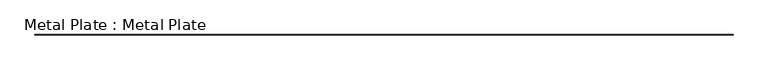
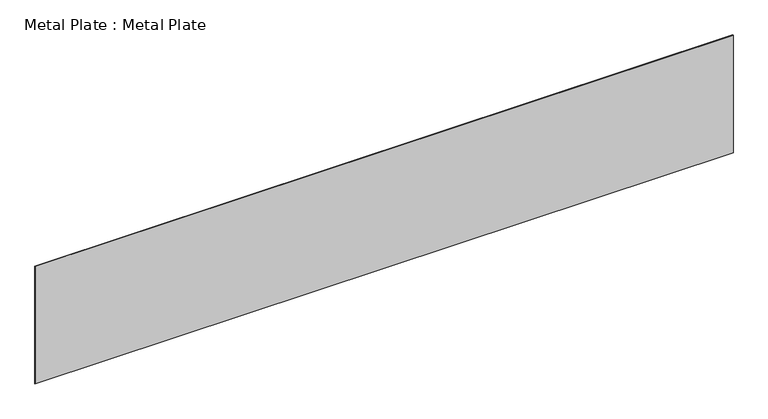
"""IFC4 building model written with IfcOpenShell, lengths in millimetres: proxy geometry, Metal Plate : Metal Plate."""

from ifc_helpers import new_model, si_unit, origin, origin_with_axes, place, context, project, spatial, polyline, outline, extrude, source, transform, mapped, element, save


def metal_plate_metal_plate_5c4fdfeb(model_context):
    return source(origin(), model_context, "Body", "SweptSolid", [
        extrude(outline(polyline([(-6172.1228393, -6.0), (-6172.1228393, 0.0), (6172.1228393, 0.0), (6172.1228393, -6.0), (-6172.1228393, -6.0)])), origin_with_axes(), (0.0, 0.0, 1.0), 2200.0),
    ])


if __name__ == "__main__":
    model = new_model("IFC4")
    model_context = context("Model", 3, world=origin())
    ifc_project = project(units=[si_unit("LENGTHUNIT", "METRE", prefix="MILLI")], contexts=[model_context])
    site = spatial("IfcSite", under=ifc_project)
    building = spatial("IfcBuilding", under=site)
    placement = place(None, origin())
    metal_plate_metal_plate_shape = metal_plate_metal_plate_5c4fdfeb(model_context)
    element("IfcBuildingElementProxy", 1, Name="Metal Plate : Metal Plate", ObjectType="Metal Plate : Metal Plate", at=placement, inside=building, context=model_context, shape_type="MappedRepresentation", body=[
        mapped(metal_plate_metal_plate_shape, transform((0.0, 0.0, 0.0), x_axis=(1.0, 0.0, 0.0), y_axis=(0.0, 1.0, 0.0), z_axis=(0.0, 0.0, 1.0))),
    ])
    save(model, "model.ifc")
